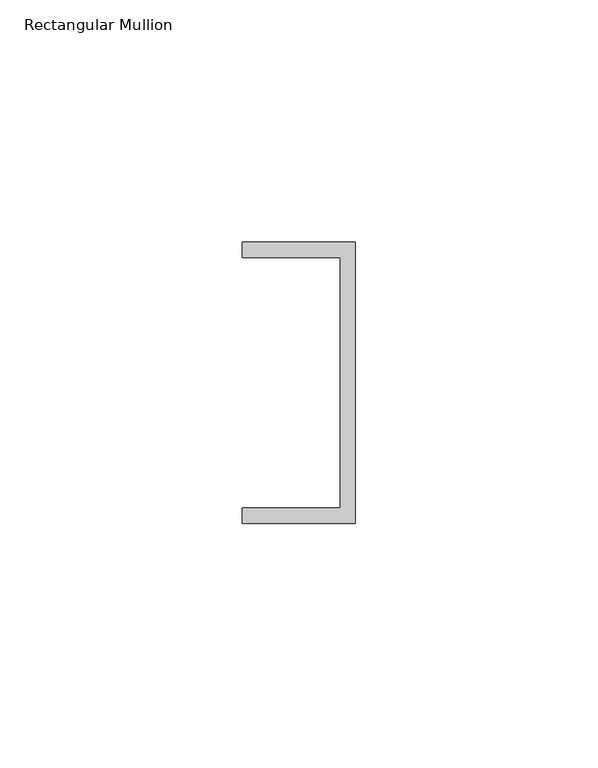
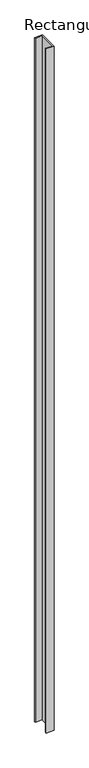
"""IFC4 building model written with IfcOpenShell, lengths in millimetres: member geometry, Rectangular Mullion."""

from ifc_helpers import new_model, si_unit, frame, origin, place, context, project, spatial, polyline, outline, extrude, source, transform, mapped, element, save


def rectangular_mullion_044499e4(model_context):
    return source(origin(), model_context, "Body", "SweptSolid", [
        extrude(outline(polyline([(0.0, 29.0214844), (0.0, -29.0214844), (-23.3164063, -29.0214844), (-23.3164063, -25.8464844), (-3.175, -25.8464844), (-3.175, 25.8464844), (-23.3164063, 25.8464844), (-23.3164063, 29.0214844), (0.0, 29.0214844)])), frame((0.0, 0.0, -2105.6203125), z_axis=(0.0, 0.0, 1.0), x_axis=(1.0, 0.0, 0.0)), (0.0, 0.0, 1.0), 2105.6203125),
    ])


if __name__ == "__main__":
    model = new_model("IFC4")
    model_context = context("Model", 3, world=origin())
    ifc_project = project(units=[si_unit("LENGTHUNIT", "METRE", prefix="MILLI")], contexts=[model_context])
    site = spatial("IfcSite", under=ifc_project)
    building = spatial("IfcBuilding", under=site)
    placement = place(None, origin())
    rectangular_mullion_shape = rectangular_mullion_044499e4(model_context)
    element("IfcMember", 1, ObjectType="Rectangular Mullion", at=placement, inside=building, context=model_context, shape_type="MappedRepresentation", body=[
        mapped(rectangular_mullion_shape, transform((0.0, 0.0, 0.0), x_axis=(1.0, 0.0, 0.0), y_axis=(0.0, 1.0, 0.0), z_axis=(0.0, 0.0, 1.0))),
    ])
    save(model, "model.ifc")
